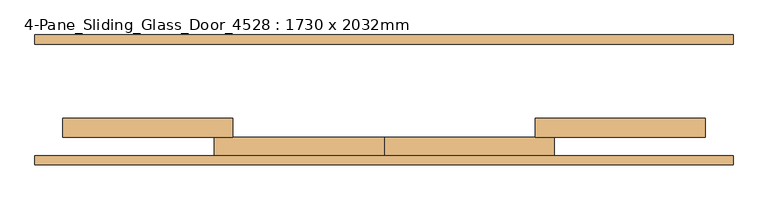
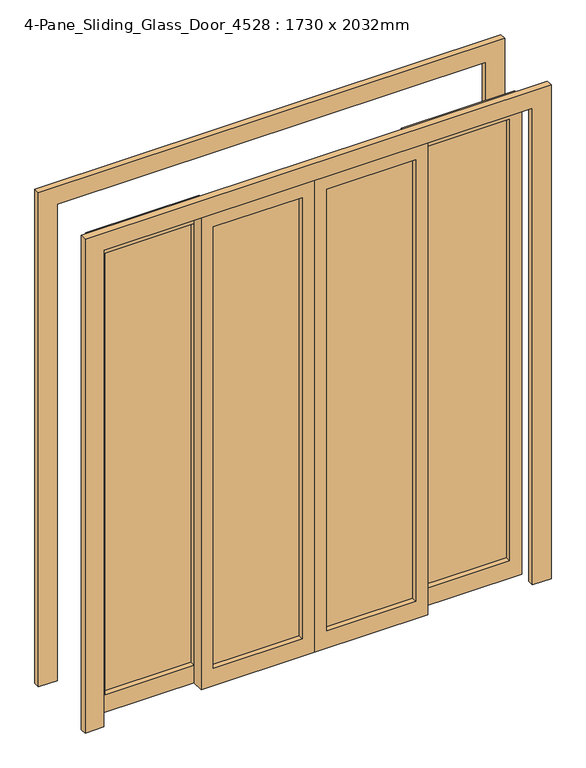
"""IFC4 building model written with IfcOpenShell, lengths in millimetres: door geometry, 4-Pane_Sliding_Glass_Door_4528 : 1730 x 2032mm."""

from ifc_helpers import new_model, si_unit, frame, origin, place, context, project, spatial, polyline, outline, extrude, source, transform, mapped, element, save


def door_4_pane_sliding_glass_door_4528_1730_x_2032mm_20b0de31(model_context):
    return source(origin(), model_context, "Body", "SweptSolid", [
        extrude(outline(polyline([(-787.5, -205.175), (-787.5, -198.825), (-390.0, -198.825), (-390.0, -205.175), (-787.5, -205.175)])), frame((0.0, 0.0, 75.0), z_axis=(0.0, 0.0, 1.0), x_axis=(1.0, 0.0, 0.0)), (0.0, 0.0, 1.0), 1882.0),
        extrude(outline(polyline([(2032.0, -340.0), (2032.0, -797.5), (0.0, -797.5), (0.0, -340.0), (2032.0, -340.0)]), holes=[polyline([(1957.0, -390.0), (75.0, -390.0), (75.0, -747.5), (1957.0, -747.5), (1957.0, -390.0)])]), frame((0.0, -227.0, 0.0), z_axis=(0.0, 1.0, 0.0), x_axis=(0.0, 0.0, 1.0)), (0.0, 0.0, 1.0), 50.0),
        extrude(outline(polyline([(-340.0, -255.175), (-340.0, -248.825), (17.5, -248.825), (17.5, -255.175), (-340.0, -255.175)])), frame((0.0, 0.0, 75.0), z_axis=(0.0, 0.0, 1.0), x_axis=(1.0, 0.0, 0.0)), (0.0, 0.0, 1.0), 1882.0),
        extrude(outline(polyline([(2032.0, -390.0), (0.0, -390.0), (0.0, 67.5), (2032.0, 67.5), (2032.0, -390.0)]), holes=[polyline([(1957.0, -340.0), (1957.0, 17.5), (75.0, 17.5), (75.0, -340.0), (1957.0, -340.0)])]), frame((0.0, -277.0, 0.0), z_axis=(0.0, 1.0, 0.0), x_axis=(0.0, 0.0, 1.0)), (0.0, 0.0, 1.0), 50.0),
        extrude(outline(polyline([(525.4, -205.175), (525.4, -198.825), (882.5, -198.825), (882.5, -205.175), (525.4, -205.175)])), frame((0.0, 0.0, 75.0), z_axis=(0.0, 0.0, 1.0), x_axis=(1.0, 0.0, 0.0)), (0.0, 0.0, 1.0), 1882.0),
        extrude(outline(polyline([(2032.0, 474.6), (0.0, 474.6), (0.0, 932.5), (2032.0, 932.5), (2032.0, 474.6)]), holes=[polyline([(1957.0, 524.6), (1957.0, 882.5), (75.0, 882.5), (75.0, 524.6), (1957.0, 524.6)])]), frame((0.0, -227.0, 0.0), z_axis=(0.0, 1.0, 0.0), x_axis=(0.0, 0.0, 1.0)), (0.0, 0.0, 1.0), 50.0),
        extrude(outline(polyline([(117.5, -255.175), (117.5, -248.825), (475.4, -248.825), (475.4, -255.175), (117.5, -255.175)])), frame((0.0, 0.0, 75.0), z_axis=(0.0, 0.0, 1.0), x_axis=(1.0, 0.0, 0.0)), (0.0, 0.0, 1.0), 1882.0),
        extrude(outline(polyline([(2032.0, 525.4), (2032.0, 67.5), (0.0, 67.5), (0.0, 525.4), (2032.0, 525.4)]), holes=[polyline([(1957.0, 475.4), (75.0, 475.4), (75.0, 117.5), (1957.0, 117.5), (1957.0, 475.4)])]), frame((0.0, -277.0, 0.0), z_axis=(0.0, 1.0, 0.0), x_axis=(0.0, 0.0, 1.0)), (0.0, 0.0, 1.0), 50.0),
        extrude(outline(polyline([(0.0, -872.5), (0.0, -797.5), (2032.0, -797.5), (2032.0, 932.5), (0.0, 932.5), (0.0, 1007.5), (2107.0, 1007.5), (2107.0, -872.5), (0.0, -872.5)])), frame((0.0, 23.0, 0.0), z_axis=(0.0, 1.0, 0.0), x_axis=(0.0, 0.0, 1.0)), (0.0, 0.0, 1.0), 25.0),
        extrude(outline(polyline([(0.0, 1007.5), (2107.0, 1007.5), (2107.0, -872.5), (0.0, -872.5), (0.0, -797.5), (2032.0, -797.5), (2032.0, 932.5), (0.0, 932.5), (0.0, 1007.5)])), frame((0.0, -302.0, 0.0), z_axis=(0.0, 1.0, 0.0), x_axis=(0.0, 0.0, 1.0)), (0.0, 0.0, 1.0), 25.0),
    ])


if __name__ == "__main__":
    model = new_model("IFC4")
    model_context = context("Model", 3, world=origin())
    ifc_project = project(units=[si_unit("LENGTHUNIT", "METRE", prefix="MILLI")], contexts=[model_context])
    site = spatial("IfcSite", under=ifc_project)
    building = spatial("IfcBuilding", under=site)
    placement = place(None, origin())
    door_4_pane_sliding_glass_door_4528_1730_x_2032mm_shape = door_4_pane_sliding_glass_door_4528_1730_x_2032mm_20b0de31(model_context)
    element("IfcDoor", 1, ObjectType="4-Pane_Sliding_Glass_Door_4528 : 1730 x 2032mm", at=placement, inside=building, context=model_context, shape_type="MappedRepresentation", body=[
        mapped(door_4_pane_sliding_glass_door_4528_1730_x_2032mm_shape, transform((0.0, 0.0, 0.0), x_axis=(1.0, 0.0, 0.0), y_axis=(0.0, 1.0, 0.0), z_axis=(0.0, 0.0, 1.0))),
    ])
    save(model, "model.ifc")
